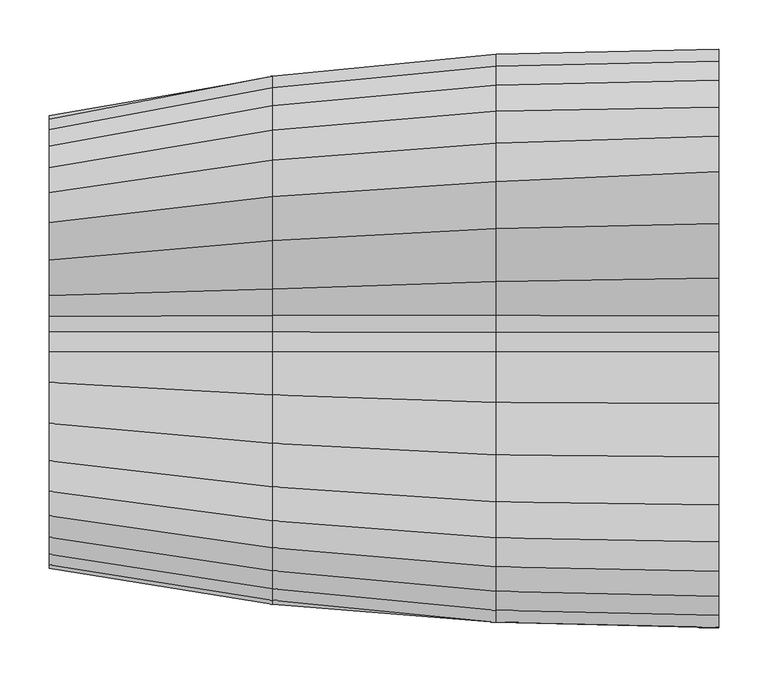
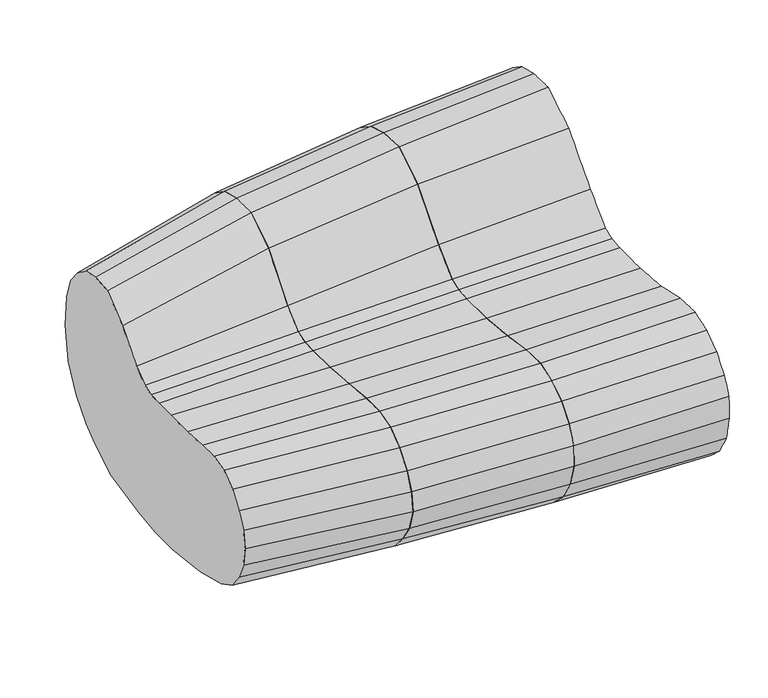
"""IFC4 building model written with IfcOpenShell, lengths in millimetres: furniture geometry."""

from ifc_helpers import new_model, si_unit, frame, origin, place, context, project, spatial, source, transform, mapped, element, save
from ifc_brep_helpers import plane_surface, spline_surface, advanced_brep


def furniture_82cb1723(model_context):
    return source(origin(), model_context, "Body", "AdvancedBrep", [
        advanced_brep(
        [(0.0, -291.4984682, 377.8928495), (0.0, -291.8548599, 343.4294735), (0.0, -285.0614337, 307.6544406), (0.0, -266.6243324, 276.4302019), (0.0, -242.2722578, 254.0834736), (0.0, -208.4022685, 234.7810907), (0.0, -148.8340749, 217.3380421), (0.0, -62.7151808, 207.1237309), (0.0, 0.0, 204.8741408), (0.0, 64.8151526, 210.3925721), (0.0, 149.3216178, 231.4803111), (0.0, 190.1743658, 247.5640859), (0.0, 211.1913424, 263.1198225), (0.0, 244.4104085, 293.0347843), (0.0, 271.0242455, 332.7671156), (0.0, 298.3267941, 407.1493486), (0.0, 299.0645943, 487.9511753), (0.0, 286.7647273, 531.5563989), (0.0, 267.0316476, 554.1242074), (0.0, 239.7702484, 572.5989882), (0.0, 209.9522465, 579.6965927), (0.0, 173.8686932, 580.455231), (0.0, 120.752495, 548.3935979), (0.0, 65.1051149, 486.6230587), (0.0, 26.2746271, 448.3519936), (0.0, 9.5128635, 442.3705636), (0.0, -10.5673544, 440.2413694), (0.0, -62.7866427, 440.1363976), (0.0, -117.6349799, 444.6696239), (0.0, -166.5576387, 455.447527), (0.0, -204.1727119, 456.7290985), (0.0, -234.0598775, 446.2991392), (0.0, -259.6553174, 427.8244311), (0.0, -279.3883244, 403.1470493), (-227.0762013, -286.1406738, 376.5365733), (-227.0762013, -274.0839606, 403.4291905), (-227.0762013, -254.7407736, 426.6060099), (-227.0762013, -229.6511895, 444.1068312), (-227.0762013, -200.3546492, 453.6485453), (-227.0762013, -163.4857877, 452.8625104), (-227.0762013, -115.5397408, 445.1344211), (-227.0762013, -61.7906324, 439.9487274), (-227.0762013, -10.5673544, 440.1194655), (-227.0762013, 9.6670823, 441.7722353), (-227.0762013, 26.814547, 447.4483787), (-227.0762013, 61.7906324, 480.3082189), (-227.0762013, 115.5397408, 543.0094062), (-227.0762013, 163.4857877, 573.2295819), (-227.0762013, 202.7432025, 570.7752623), (-227.0762013, 235.4367012, 561.2269715), (-227.0762013, 262.1171765, 543.7261139), (-227.0762013, 281.4603454, 522.5189418), (-227.0762013, 293.5171494, 484.0034875), (-227.0762013, 292.6945071, 415.6151473), (-227.0762013, 265.855375, 344.1388779), (-227.0762013, 239.1077162, 301.6881623), (-227.0762013, 206.2769621, 269.7019788), (-227.0762013, 185.7656778, 253.1828018), (-227.0762013, 146.2499121, 233.9398267), (-227.0762013, 63.8228076, 214.7066075), (-227.0762013, 0.0, 209.1015717), (-227.0762013, -61.7226815, 211.467343), (-227.0762013, -143.3406783, 221.1172627), (-227.0762013, -202.4368986, 238.168602), (-227.0762013, -234.9239599, 256.6180573), (-227.0762013, -258.8860693, 279.3470841), (-227.0762013, -277.0800714, 309.9383855), (-227.0762013, -286.4123142, 344.1275414)],
        [
            (0, 1),
            (1, 2),
            (2, 3),
            (3, 4),
            (4, 5),
            (5, 6),
            (6, 7),
            (7, 8),
            (8, 9),
            (9, 10),
            (10, 11),
            (11, 12),
            (12, 13),
            (13, 14),
            (14, 15),
            (15, 16),
            (16, 17),
            (17, 18),
            (18, 19),
            (19, 20),
            (20, 21),
            (21, 22),
            (22, 23),
            (23, 24),
            (24, 25),
            (25, 26),
            (26, 27),
            (27, 28),
            (28, 29),
            (29, 30),
            (30, 31),
            (31, 32),
            (32, 33),
            (33, 0),
            (34, 35),
            (35, 36),
            (36, 37),
            (37, 38),
            (38, 39),
            (39, 40),
            (40, 41),
            (41, 42),
            (42, 43),
            (43, 44),
            (44, 45),
            (45, 46),
            (46, 47),
            (47, 48),
            (48, 49),
            (49, 50),
            (50, 51),
            (51, 52),
            (52, 53),
            (53, 54),
            (54, 55),
            (55, 56),
            (56, 57),
            (57, 58),
            (58, 59),
            (59, 60),
            (60, 61),
            (61, 62),
            (62, 63),
            (63, 64),
            (64, 65),
            (65, 66),
            (66, 67),
            (67, 34),
            (34, 0),
            (33, 35),
            (32, 36),
            (31, 37),
            (30, 38),
            (29, 39),
            (28, 40),
            (27, 41),
            (26, 42),
            (25, 43),
            (24, 44),
            (23, 45),
            (22, 46),
            (21, 47),
            (20, 48),
            (19, 49),
            (18, 50),
            (17, 51),
            (16, 52),
            (15, 53),
            (14, 54),
            (13, 55),
            (12, 56),
            (11, 57),
            (10, 58),
            (9, 59),
            (8, 60),
            (7, 61),
            (6, 62),
            (5, 63),
            (4, 64),
            (3, 65),
            (2, 66),
            (1, 67),
        ],
        [
            plane_surface(frame((0.0, -0.138957, 386.933292), z_axis=(1.0, 0.0, 0.0), x_axis=(0.0, 0.9765819352060146, -0.21514581992052656))),
            plane_surface(frame((-227.0762013, -0.2591798, 386.860886), z_axis=(-1.0, 0.0, 0.0), x_axis=(0.0, 0.9765819352060146, -0.21514581992052656))),
            spline_surface(1, 1, [[(-227.0762013, -274.0839606, 403.4291905), (0.0, -279.3883244, 403.1470493)], [(-227.0762013, -286.1406738, 376.5365733), (0.0, -291.4984682, 377.8928495)]], [2, 2], [2, 2], [0.0, 1.0], [0.0, 1.0]),
            spline_surface(1, 1, [[(-227.0762013, -254.7407736, 426.6060099), (0.0, -259.6553174, 427.8244311)], [(-227.0762013, -274.0839606, 403.4291905), (0.0, -279.3883244, 403.1470493)]], [2, 2], [2, 2], [0.0, 1.0], [0.0, 1.0]),
            spline_surface(1, 1, [[(-227.0762013, -229.6511895, 444.1068312), (0.0, -234.0598775, 446.2991392)], [(-227.0762013, -254.7407736, 426.6060099), (0.0, -259.6553174, 427.8244311)]], [2, 2], [2, 2], [0.0, 1.0], [0.0, 1.0]),
            spline_surface(1, 1, [[(-227.0762013, -200.3546492, 453.6485453), (0.0, -204.1727119, 456.7290985)], [(-227.0762013, -229.6511895, 444.1068312), (0.0, -234.0598775, 446.2991392)]], [2, 2], [2, 2], [0.0, 1.0], [0.0, 1.0]),
            spline_surface(1, 1, [[(-227.0762013, -163.4857877, 452.8625104), (0.0, -166.5576387, 455.447527)], [(-227.0762013, -200.3546492, 453.6485453), (0.0, -204.1727119, 456.7290985)]], [2, 2], [2, 2], [0.0, 1.0], [0.0, 1.0]),
            spline_surface(1, 1, [[(-227.0762013, -115.5397408, 445.1344211), (0.0, -117.6349799, 444.6696239)], [(-227.0762013, -163.4857877, 452.8625104), (0.0, -166.5576387, 455.447527)]], [2, 2], [2, 2], [0.0, 1.0], [0.0, 1.0]),
            spline_surface(1, 1, [[(-227.0762013, -61.7906324, 439.9487274), (0.0, -62.7866427, 440.1363976)], [(-227.0762013, -115.5397408, 445.1344211), (0.0, -117.6349799, 444.6696239)]], [2, 2], [2, 2], [0.0, 1.0], [0.0, 1.0]),
            spline_surface(1, 1, [[(-227.0762013, -10.5673544, 440.1194655), (0.0, -10.5673544, 440.2413694)], [(-227.0762013, -61.7906324, 439.9487274), (0.0, -62.7866427, 440.1363976)]], [2, 2], [2, 2], [0.0, 1.0], [0.0, 1.0]),
            spline_surface(1, 1, [[(-227.0762013, 9.6670823, 441.7722353), (0.0, 9.5128635, 442.3705636)], [(-227.0762013, -10.5673544, 440.1194655), (0.0, -10.5673544, 440.2413694)]], [2, 2], [2, 2], [0.0, 1.0], [0.0, 1.0]),
            spline_surface(1, 1, [[(-227.0762013, 26.814547, 447.4483787), (0.0, 26.2746271, 448.3519936)], [(-227.0762013, 9.6670823, 441.7722353), (0.0, 9.5128635, 442.3705636)]], [2, 2], [2, 2], [0.0, 1.0], [0.0, 1.0]),
            spline_surface(1, 1, [[(-227.0762013, 61.7906324, 480.3082189), (0.0, 65.1051149, 486.6230587)], [(-227.0762013, 26.814547, 447.4483787), (0.0, 26.2746271, 448.3519936)]], [2, 2], [2, 2], [0.0, 1.0], [0.0, 1.0]),
            spline_surface(1, 1, [[(-227.0762013, 115.5397408, 543.0094062), (0.0, 120.752495, 548.3935979)], [(-227.0762013, 61.7906324, 480.3082189), (0.0, 65.1051149, 486.6230587)]], [2, 2], [2, 2], [0.0, 1.0], [0.0, 1.0]),
            spline_surface(1, 1, [[(-227.0762013, 163.4857877, 573.2295819), (0.0, 173.8686932, 580.455231)], [(-227.0762013, 115.5397408, 543.0094062), (0.0, 120.752495, 548.3935979)]], [2, 2], [2, 2], [0.0, 1.0], [0.0, 1.0]),
            spline_surface(1, 1, [[(-227.0762013, 202.7432025, 570.7752623), (0.0, 209.9522465, 579.6965927)], [(-227.0762013, 163.4857877, 573.2295819), (0.0, 173.8686932, 580.455231)]], [2, 2], [2, 2], [0.0, 1.0], [0.0, 1.0]),
            spline_surface(1, 1, [[(-227.0762013, 235.4367012, 561.2269715), (0.0, 239.7702484, 572.5989882)], [(-227.0762013, 202.7432025, 570.7752623), (0.0, 209.9522465, 579.6965927)]], [2, 2], [2, 2], [0.0, 1.0], [0.0, 1.0]),
            spline_surface(1, 1, [[(-227.0762013, 262.1171765, 543.7261139), (0.0, 267.0316476, 554.1242074)], [(-227.0762013, 235.4367012, 561.2269715), (0.0, 239.7702484, 572.5989882)]], [2, 2], [2, 2], [0.0, 1.0], [0.0, 1.0]),
            spline_surface(1, 1, [[(-227.0762013, 281.4603454, 522.5189418), (0.0, 286.7647273, 531.5563989)], [(-227.0762013, 262.1171765, 543.7261139), (0.0, 267.0316476, 554.1242074)]], [2, 2], [2, 2], [0.0, 1.0], [0.0, 1.0]),
            spline_surface(1, 1, [[(-227.0762013, 293.5171494, 484.0034875), (0.0, 299.0645943, 487.9511753)], [(-227.0762013, 281.4603454, 522.5189418), (0.0, 286.7647273, 531.5563989)]], [2, 2], [2, 2], [0.0, 1.0], [0.0, 1.0]),
            spline_surface(1, 1, [[(-227.0762013, 292.6945071, 415.6151473), (0.0, 298.3267941, 407.1493486)], [(-227.0762013, 293.5171494, 484.0034875), (0.0, 299.0645943, 487.9511753)]], [2, 2], [2, 2], [0.0, 1.0], [0.0, 1.0]),
            spline_surface(1, 1, [[(-227.0762013, 265.855375, 344.1388779), (0.0, 271.0242455, 332.7671156)], [(-227.0762013, 292.6945071, 415.6151473), (0.0, 298.3267941, 407.1493486)]], [2, 2], [2, 2], [0.0, 1.0], [0.0, 1.0]),
            spline_surface(1, 1, [[(-227.0762013, 239.1077162, 301.6881623), (0.0, 244.4104085, 293.0347843)], [(-227.0762013, 265.855375, 344.1388779), (0.0, 271.0242455, 332.7671156)]], [2, 2], [2, 2], [0.0, 1.0], [0.0, 1.0]),
            spline_surface(1, 1, [[(-227.0762013, 206.2769621, 269.7019788), (0.0, 211.1913424, 263.1198225)], [(-227.0762013, 239.1077162, 301.6881623), (0.0, 244.4104085, 293.0347843)]], [2, 2], [2, 2], [0.0, 1.0], [0.0, 1.0]),
            spline_surface(1, 1, [[(-227.0762013, 185.7656778, 253.1828018), (0.0, 190.1743658, 247.5640859)], [(-227.0762013, 206.2769621, 269.7019788), (0.0, 211.1913424, 263.1198225)]], [2, 2], [2, 2], [0.0, 1.0], [0.0, 1.0]),
            spline_surface(1, 1, [[(-227.0762013, 146.2499121, 233.9398267), (0.0, 149.3216178, 231.4803111)], [(-227.0762013, 185.7656778, 253.1828018), (0.0, 190.1743658, 247.5640859)]], [2, 2], [2, 2], [0.0, 1.0], [0.0, 1.0]),
            spline_surface(1, 1, [[(-227.0762013, 63.8228076, 214.7066075), (0.0, 64.8151526, 210.3925721)], [(-227.0762013, 146.2499121, 233.9398267), (0.0, 149.3216178, 231.4803111)]], [2, 2], [2, 2], [0.0, 1.0], [0.0, 1.0]),
            spline_surface(1, 1, [[(-227.0762013, 0.0, 209.1015717), (0.0, 0.0, 204.8741408)], [(-227.0762013, 63.8228076, 214.7066075), (0.0, 64.8151526, 210.3925721)]], [2, 2], [2, 2], [0.0, 1.0], [0.0, 1.0]),
            spline_surface(1, 1, [[(-227.0762013, -61.7226815, 211.467343), (0.0, -62.7151808, 207.1237309)], [(-227.0762013, 0.0, 209.1015717), (0.0, 0.0, 204.8741408)]], [2, 2], [2, 2], [0.0, 1.0], [0.0, 1.0]),
            spline_surface(1, 1, [[(-227.0762013, -143.3406783, 221.1172627), (0.0, -148.8340749, 217.3380421)], [(-227.0762013, -61.7226815, 211.467343), (0.0, -62.7151808, 207.1237309)]], [2, 2], [2, 2], [0.0, 1.0], [0.0, 1.0]),
            spline_surface(1, 1, [[(-227.0762013, -202.4368986, 238.168602), (0.0, -208.4022685, 234.7810907)], [(-227.0762013, -143.3406783, 221.1172627), (0.0, -148.8340749, 217.3380421)]], [2, 2], [2, 2], [0.0, 1.0], [0.0, 1.0]),
            spline_surface(1, 1, [[(-227.0762013, -234.9239599, 256.6180573), (0.0, -242.2722578, 254.0834736)], [(-227.0762013, -202.4368986, 238.168602), (0.0, -208.4022685, 234.7810907)]], [2, 2], [2, 2], [0.0, 1.0], [0.0, 1.0]),
            spline_surface(1, 1, [[(-227.0762013, -258.8860693, 279.3470841), (0.0, -266.6243324, 276.4302019)], [(-227.0762013, -234.9239599, 256.6180573), (0.0, -242.2722578, 254.0834736)]], [2, 2], [2, 2], [0.0, 1.0], [0.0, 1.0]),
            spline_surface(1, 1, [[(-227.0762013, -277.0800714, 309.9383855), (0.0, -285.0614337, 307.6544406)], [(-227.0762013, -258.8860693, 279.3470841), (0.0, -266.6243324, 276.4302019)]], [2, 2], [2, 2], [0.0, 1.0], [0.0, 1.0]),
            spline_surface(1, 1, [[(-227.0762013, -286.4123142, 344.1275414), (0.0, -291.8548599, 343.4294735)], [(-227.0762013, -277.0800714, 309.9383855), (0.0, -285.0614337, 307.6544406)]], [2, 2], [2, 2], [0.0, 1.0], [0.0, 1.0]),
            spline_surface(1, 1, [[(-227.0762013, -286.1406738, 376.5365733), (0.0, -291.4984682, 377.8928495)], [(-227.0762013, -286.4123142, 344.1275414), (0.0, -291.8548599, 343.4294735)]], [2, 2], [2, 2], [0.0, 1.0], [0.0, 1.0]),
        ],
        [
            (0, [[1, 2, 3, 4, 5, 6, 7, 8, 9, 10, 11, 12, 13, 14, 15, 16, 17, 18, 19, 20, 21, 22, 23, 24, 25, 26, 27, 28, 29, 30, 31, 32, 33, 34]]),
            (1, [[35, 36, 37, 38, 39, 40, 41, 42, 43, 44, 45, 46, 47, 48, 49, 50, 51, 52, 53, 54, 55, 56, 57, 58, 59, 60, 61, 62, 63, 64, 65, 66, 67, 68]]),
            (2, [[-35, 69, -34, 70]]),
            (3, [[-36, -70, -33, 71]]),
            (4, [[-37, -71, -32, 72]]),
            (5, [[-38, -72, -31, 73]]),
            (6, [[-39, -73, -30, 74]]),
            (7, [[-40, -74, -29, 75]]),
            (8, [[-41, -75, -28, 76]]),
            (9, [[-42, -76, -27, 77]]),
            (10, [[-43, -77, -26, 78]]),
            (11, [[-44, -78, -25, 79]]),
            (12, [[-45, -79, -24, 80]]),
            (13, [[-46, -80, -23, 81]]),
            (14, [[-47, -81, -22, 82]]),
            (15, [[-48, -82, -21, 83]]),
            (16, [[-49, -83, -20, 84]]),
            (17, [[-50, -84, -19, 85]]),
            (18, [[-51, -85, -18, 86]]),
            (19, [[-52, -86, -17, 87]]),
            (20, [[-53, -87, -16, 88]]),
            (21, [[-54, -88, -15, 89]]),
            (22, [[-55, -89, -14, 90]]),
            (23, [[-56, -90, -13, 91]]),
            (24, [[-57, -91, -12, 92]]),
            (25, [[-58, -92, -11, 93]]),
            (26, [[-59, -93, -10, 94]]),
            (27, [[-60, -94, -9, 95]]),
            (28, [[-61, -95, -8, 96]]),
            (29, [[-62, -96, -7, 97]]),
            (30, [[-63, -97, -6, 98]]),
            (31, [[-64, -98, -5, 99]]),
            (32, [[-65, -99, -4, 100]]),
            (33, [[-66, -100, -3, 101]]),
            (34, [[-67, -101, -2, 102]]),
            (35, [[-68, -102, -1, -69]]),
        ],
    ),
        advanced_brep(
        [(-227.0762013, -274.0839606, 403.4291905), (-227.0762013, -286.1406738, 376.5365733), (-227.0762013, -286.4123142, 344.1275414), (-227.0762013, -277.0800714, 309.9383855), (-227.0762013, -258.8860693, 279.3470841), (-227.0762013, -234.9239599, 256.6180573), (-227.0762013, -202.4368986, 238.168602), (-227.0762013, -143.3406783, 221.1172627), (-227.0762013, -61.7226815, 211.467343), (-227.0762013, 0.0, 209.1015717), (-227.0762013, 63.8228076, 214.7066075), (-227.0762013, 146.2499121, 233.9398267), (-227.0762013, 185.7656778, 253.1828018), (-227.0762013, 206.2769621, 269.7019788), (-227.0762013, 239.1077162, 301.6881623), (-227.0762013, 265.855375, 344.1388779), (-227.0762013, 292.6945071, 415.6151473), (-227.0762013, 293.5171494, 484.0034875), (-227.0762013, 281.4603454, 522.5189418), (-227.0762013, 262.1171765, 543.7261139), (-227.0762013, 235.4367012, 561.2269715), (-227.0762013, 202.7432025, 570.7752623), (-227.0762013, 163.4857877, 573.2295819), (-227.0762013, 115.5397408, 543.0094062), (-227.0762013, 61.7906324, 480.3082189), (-227.0762013, 26.814547, 447.4483787), (-227.0762013, 9.6670823, 441.7722353), (-227.0762013, -10.5673544, 440.1194655), (-227.0762013, -61.7906324, 439.9487274), (-227.0762013, -115.5397408, 445.1344211), (-227.0762013, -163.4857877, 452.8625104), (-227.0762013, -200.3546492, 453.6485453), (-227.0762013, -229.6511895, 444.1068312), (-227.0762013, -254.7407736, 426.6060099), (-455.3641564, -252.3818514, 396.6326941), (-455.3641564, -234.0168205, 421.0006107), (-455.3641564, -210.2477045, 439.1128046), (-455.3641564, -182.6038977, 447.1245249), (-455.3641564, -148.0542805, 446.6149993), (-455.3641564, -103.6001444, 442.8838317), (-455.3641564, -54.1793919, 438.9676826), (-455.3641564, -10.5668968, 438.3366165), (-455.3641564, 9.8287832, 439.2321651), (-455.3641564, 27.129703, 445.344619), (-455.3641564, 54.1793919, 469.6752923), (-455.3641564, 103.6002897, 529.6568419), (-455.3641564, 148.1147419, 558.8794767), (-455.3641564, 185.3505142, 558.8997153), (-455.3641564, 216.1521588, 550.762276), (-455.3641564, 241.3933688, 533.3076001), (-455.3641564, 259.7582362, 511.8388161), (-455.3641564, 271.2010516, 475.7056292), (-455.3641564, 270.1598542, 414.9827368), (-455.3641564, 251.2636784, 352.0582346), (-455.3641564, 230.2584562, 309.1056965), (-455.3641564, 198.0847296, 277.7418587), (-455.3641564, 178.9009624, 260.8751375), (-455.3641564, 136.0662768, 237.9039197), (-455.3641564, 56.3137229, 219.8462102), (-455.3641564, 0.0, 216.4563553), (-455.3641564, -54.2137512, 216.7521222), (-455.3641564, -130.3642992, 226.850234), (-455.3641564, -188.6106349, 240.838915), (-455.3641564, -221.5852392, 259.6216893), (-455.3641564, -241.1069219, 282.7724201), (-455.3641564, -258.6924582, 310.2295014), (-455.3641564, -267.8127409, 341.7347005), (-455.3641564, -263.8245759, 370.2397556)],
        [
            (0, 1),
            (1, 2),
            (2, 3),
            (3, 4),
            (4, 5),
            (5, 6),
            (6, 7),
            (7, 8),
            (8, 9),
            (9, 10),
            (10, 11),
            (11, 12),
            (12, 13),
            (13, 14),
            (14, 15),
            (15, 16),
            (16, 17),
            (17, 18),
            (18, 19),
            (19, 20),
            (20, 21),
            (21, 22),
            (22, 23),
            (23, 24),
            (24, 25),
            (25, 26),
            (26, 27),
            (27, 28),
            (28, 29),
            (29, 30),
            (30, 31),
            (31, 32),
            (32, 33),
            (33, 0),
            (34, 35),
            (35, 36),
            (36, 37),
            (37, 38),
            (38, 39),
            (39, 40),
            (40, 41),
            (41, 42),
            (42, 43),
            (43, 44),
            (44, 45),
            (45, 46),
            (46, 47),
            (47, 48),
            (48, 49),
            (49, 50),
            (50, 51),
            (51, 52),
            (52, 53),
            (53, 54),
            (54, 55),
            (55, 56),
            (56, 57),
            (57, 58),
            (58, 59),
            (59, 60),
            (60, 61),
            (61, 62),
            (62, 63),
            (63, 64),
            (64, 65),
            (65, 66),
            (66, 67),
            (67, 34),
            (34, 0),
            (33, 35),
            (32, 36),
            (31, 37),
            (30, 38),
            (29, 39),
            (28, 40),
            (27, 41),
            (26, 42),
            (25, 43),
            (24, 44),
            (23, 45),
            (22, 46),
            (21, 47),
            (20, 48),
            (19, 49),
            (18, 50),
            (17, 51),
            (16, 52),
            (15, 53),
            (14, 54),
            (13, 55),
            (12, 56),
            (11, 57),
            (10, 58),
            (9, 59),
            (8, 60),
            (7, 61),
            (6, 62),
            (5, 63),
            (4, 64),
            (3, 65),
            (2, 66),
            (1, 67),
        ],
        [
            plane_surface(frame((-227.0762013, -0.2591798, 386.860886), z_axis=(1.0, 0.0, 0.0), x_axis=(0.0, 0.9997728115981166, -0.02131490532929867))),
            plane_surface(frame((-455.3641564, 0.4674797, 384.7642848), z_axis=(-1.0, 0.0, 0.0), x_axis=(0.0, 0.9997728115981166, -0.02131490532929867))),
            spline_surface(1, 1, [[(-455.3641564, -234.0168205, 421.0006107), (-227.0762013, -254.7407736, 426.6060099)], [(-455.3641564, -252.3818514, 396.6326941), (-227.0762013, -274.0839606, 403.4291905)]], [2, 2], [2, 2], [0.0, 1.0], [0.0, 1.0]),
            spline_surface(1, 1, [[(-455.3641564, -210.2477045, 439.1128046), (-227.0762013, -229.6511895, 444.1068312)], [(-455.3641564, -234.0168205, 421.0006107), (-227.0762013, -254.7407736, 426.6060099)]], [2, 2], [2, 2], [0.0, 1.0], [0.0, 1.0]),
            spline_surface(1, 1, [[(-455.3641564, -182.6038977, 447.1245249), (-227.0762013, -200.3546492, 453.6485453)], [(-455.3641564, -210.2477045, 439.1128046), (-227.0762013, -229.6511895, 444.1068312)]], [2, 2], [2, 2], [0.0, 1.0], [0.0, 1.0]),
            spline_surface(1, 1, [[(-455.3641564, -148.0542805, 446.6149993), (-227.0762013, -163.4857877, 452.8625104)], [(-455.3641564, -182.6038977, 447.1245249), (-227.0762013, -200.3546492, 453.6485453)]], [2, 2], [2, 2], [0.0, 1.0], [0.0, 1.0]),
            spline_surface(1, 1, [[(-455.3641564, -103.6001444, 442.8838317), (-227.0762013, -115.5397408, 445.1344211)], [(-455.3641564, -148.0542805, 446.6149993), (-227.0762013, -163.4857877, 452.8625104)]], [2, 2], [2, 2], [0.0, 1.0], [0.0, 1.0]),
            spline_surface(1, 1, [[(-455.3641564, -54.1793919, 438.9676826), (-227.0762013, -61.7906324, 439.9487274)], [(-455.3641564, -103.6001444, 442.8838317), (-227.0762013, -115.5397408, 445.1344211)]], [2, 2], [2, 2], [0.0, 1.0], [0.0, 1.0]),
            spline_surface(1, 1, [[(-455.3641564, -10.5668968, 438.3366165), (-227.0762013, -10.5673544, 440.1194655)], [(-455.3641564, -54.1793919, 438.9676826), (-227.0762013, -61.7906324, 439.9487274)]], [2, 2], [2, 2], [0.0, 1.0], [0.0, 1.0]),
            spline_surface(1, 1, [[(-455.3641564, 9.8287832, 439.2321651), (-227.0762013, 9.6670823, 441.7722353)], [(-455.3641564, -10.5668968, 438.3366165), (-227.0762013, -10.5673544, 440.1194655)]], [2, 2], [2, 2], [0.0, 1.0], [0.0, 1.0]),
            spline_surface(1, 1, [[(-455.3641564, 27.129703, 445.344619), (-227.0762013, 26.814547, 447.4483787)], [(-455.3641564, 9.8287832, 439.2321651), (-227.0762013, 9.6670823, 441.7722353)]], [2, 2], [2, 2], [0.0, 1.0], [0.0, 1.0]),
            spline_surface(1, 1, [[(-455.3641564, 54.1793919, 469.6752923), (-227.0762013, 61.7906324, 480.3082189)], [(-455.3641564, 27.129703, 445.344619), (-227.0762013, 26.814547, 447.4483787)]], [2, 2], [2, 2], [0.0, 1.0], [0.0, 1.0]),
            spline_surface(1, 1, [[(-455.3641564, 103.6002897, 529.6568419), (-227.0762013, 115.5397408, 543.0094062)], [(-455.3641564, 54.1793919, 469.6752923), (-227.0762013, 61.7906324, 480.3082189)]], [2, 2], [2, 2], [0.0, 1.0], [0.0, 1.0]),
            spline_surface(1, 1, [[(-455.3641564, 148.1147419, 558.8794767), (-227.0762013, 163.4857877, 573.2295819)], [(-455.3641564, 103.6002897, 529.6568419), (-227.0762013, 115.5397408, 543.0094062)]], [2, 2], [2, 2], [0.0, 1.0], [0.0, 1.0]),
            spline_surface(1, 1, [[(-455.3641564, 185.3505142, 558.8997153), (-227.0762013, 202.7432025, 570.7752623)], [(-455.3641564, 148.1147419, 558.8794767), (-227.0762013, 163.4857877, 573.2295819)]], [2, 2], [2, 2], [0.0, 1.0], [0.0, 1.0]),
            spline_surface(1, 1, [[(-455.3641564, 216.1521588, 550.762276), (-227.0762013, 235.4367012, 561.2269715)], [(-455.3641564, 185.3505142, 558.8997153), (-227.0762013, 202.7432025, 570.7752623)]], [2, 2], [2, 2], [0.0, 1.0], [0.0, 1.0]),
            spline_surface(1, 1, [[(-455.3641564, 241.3933688, 533.3076001), (-227.0762013, 262.1171765, 543.7261139)], [(-455.3641564, 216.1521588, 550.762276), (-227.0762013, 235.4367012, 561.2269715)]], [2, 2], [2, 2], [0.0, 1.0], [0.0, 1.0]),
            spline_surface(1, 1, [[(-455.3641564, 259.7582362, 511.8388161), (-227.0762013, 281.4603454, 522.5189418)], [(-455.3641564, 241.3933688, 533.3076001), (-227.0762013, 262.1171765, 543.7261139)]], [2, 2], [2, 2], [0.0, 1.0], [0.0, 1.0]),
            spline_surface(1, 1, [[(-455.3641564, 271.2010516, 475.7056292), (-227.0762013, 293.5171494, 484.0034875)], [(-455.3641564, 259.7582362, 511.8388161), (-227.0762013, 281.4603454, 522.5189418)]], [2, 2], [2, 2], [0.0, 1.0], [0.0, 1.0]),
            spline_surface(1, 1, [[(-455.3641564, 270.1598542, 414.9827368), (-227.0762013, 292.6945071, 415.6151473)], [(-455.3641564, 271.2010516, 475.7056292), (-227.0762013, 293.5171494, 484.0034875)]], [2, 2], [2, 2], [0.0, 1.0], [0.0, 1.0]),
            spline_surface(1, 1, [[(-455.3641564, 251.2636784, 352.0582346), (-227.0762013, 265.855375, 344.1388779)], [(-455.3641564, 270.1598542, 414.9827368), (-227.0762013, 292.6945071, 415.6151473)]], [2, 2], [2, 2], [0.0, 1.0], [0.0, 1.0]),
            spline_surface(1, 1, [[(-455.3641564, 230.2584562, 309.1056965), (-227.0762013, 239.1077162, 301.6881623)], [(-455.3641564, 251.2636784, 352.0582346), (-227.0762013, 265.855375, 344.1388779)]], [2, 2], [2, 2], [0.0, 1.0], [0.0, 1.0]),
            spline_surface(1, 1, [[(-455.3641564, 198.0847296, 277.7418587), (-227.0762013, 206.2769621, 269.7019788)], [(-455.3641564, 230.2584562, 309.1056965), (-227.0762013, 239.1077162, 301.6881623)]], [2, 2], [2, 2], [0.0, 1.0], [0.0, 1.0]),
            spline_surface(1, 1, [[(-455.3641564, 178.9009624, 260.8751375), (-227.0762013, 185.7656778, 253.1828018)], [(-455.3641564, 198.0847296, 277.7418587), (-227.0762013, 206.2769621, 269.7019788)]], [2, 2], [2, 2], [0.0, 1.0], [0.0, 1.0]),
            spline_surface(1, 1, [[(-455.3641564, 136.0662768, 237.9039197), (-227.0762013, 146.2499121, 233.9398267)], [(-455.3641564, 178.9009624, 260.8751375), (-227.0762013, 185.7656778, 253.1828018)]], [2, 2], [2, 2], [0.0, 1.0], [0.0, 1.0]),
            spline_surface(1, 1, [[(-455.3641564, 56.3137229, 219.8462102), (-227.0762013, 63.8228076, 214.7066075)], [(-455.3641564, 136.0662768, 237.9039197), (-227.0762013, 146.2499121, 233.9398267)]], [2, 2], [2, 2], [0.0, 1.0], [0.0, 1.0]),
            spline_surface(1, 1, [[(-455.3641564, 0.0, 216.4563553), (-227.0762013, 0.0, 209.1015717)], [(-455.3641564, 56.3137229, 219.8462102), (-227.0762013, 63.8228076, 214.7066075)]], [2, 2], [2, 2], [0.0, 1.0], [0.0, 1.0]),
            spline_surface(1, 1, [[(-455.3641564, -54.2137512, 216.7521222), (-227.0762013, -61.7226815, 211.467343)], [(-455.3641564, 0.0, 216.4563553), (-227.0762013, 0.0, 209.1015717)]], [2, 2], [2, 2], [0.0, 1.0], [0.0, 1.0]),
            spline_surface(1, 1, [[(-455.3641564, -130.3642992, 226.850234), (-227.0762013, -143.3406783, 221.1172627)], [(-455.3641564, -54.2137512, 216.7521222), (-227.0762013, -61.7226815, 211.467343)]], [2, 2], [2, 2], [0.0, 1.0], [0.0, 1.0]),
            spline_surface(1, 1, [[(-455.3641564, -188.6106349, 240.838915), (-227.0762013, -202.4368986, 238.168602)], [(-455.3641564, -130.3642992, 226.850234), (-227.0762013, -143.3406783, 221.1172627)]], [2, 2], [2, 2], [0.0, 1.0], [0.0, 1.0]),
            spline_surface(1, 1, [[(-455.3641564, -221.5852392, 259.6216893), (-227.0762013, -234.9239599, 256.6180573)], [(-455.3641564, -188.6106349, 240.838915), (-227.0762013, -202.4368986, 238.168602)]], [2, 2], [2, 2], [0.0, 1.0], [0.0, 1.0]),
            spline_surface(1, 1, [[(-455.3641564, -241.1069219, 282.7724201), (-227.0762013, -258.8860693, 279.3470841)], [(-455.3641564, -221.5852392, 259.6216893), (-227.0762013, -234.9239599, 256.6180573)]], [2, 2], [2, 2], [0.0, 1.0], [0.0, 1.0]),
            spline_surface(1, 1, [[(-455.3641564, -258.6924582, 310.2295014), (-227.0762013, -277.0800714, 309.9383855)], [(-455.3641564, -241.1069219, 282.7724201), (-227.0762013, -258.8860693, 279.3470841)]], [2, 2], [2, 2], [0.0, 1.0], [0.0, 1.0]),
            spline_surface(1, 1, [[(-455.3641564, -267.8127409, 341.7347005), (-227.0762013, -286.4123142, 344.1275414)], [(-455.3641564, -258.6924582, 310.2295014), (-227.0762013, -277.0800714, 309.9383855)]], [2, 2], [2, 2], [0.0, 1.0], [0.0, 1.0]),
            spline_surface(1, 1, [[(-455.3641564, -263.8245759, 370.2397556), (-227.0762013, -286.1406738, 376.5365733)], [(-455.3641564, -267.8127409, 341.7347005), (-227.0762013, -286.4123142, 344.1275414)]], [2, 2], [2, 2], [0.0, 1.0], [0.0, 1.0]),
            spline_surface(1, 1, [[(-455.3641564, -252.3818514, 396.6326941), (-227.0762013, -274.0839606, 403.4291905)], [(-455.3641564, -263.8245759, 370.2397556), (-227.0762013, -286.1406738, 376.5365733)]], [2, 2], [2, 2], [0.0, 1.0], [0.0, 1.0]),
        ],
        [
            (0, [[1, 2, 3, 4, 5, 6, 7, 8, 9, 10, 11, 12, 13, 14, 15, 16, 17, 18, 19, 20, 21, 22, 23, 24, 25, 26, 27, 28, 29, 30, 31, 32, 33, 34]]),
            (1, [[35, 36, 37, 38, 39, 40, 41, 42, 43, 44, 45, 46, 47, 48, 49, 50, 51, 52, 53, 54, 55, 56, 57, 58, 59, 60, 61, 62, 63, 64, 65, 66, 67, 68]]),
            (2, [[-35, 69, -34, 70]]),
            (3, [[-36, -70, -33, 71]]),
            (4, [[-37, -71, -32, 72]]),
            (5, [[-38, -72, -31, 73]]),
            (6, [[-39, -73, -30, 74]]),
            (7, [[-40, -74, -29, 75]]),
            (8, [[-41, -75, -28, 76]]),
            (9, [[-42, -76, -27, 77]]),
            (10, [[-43, -77, -26, 78]]),
            (11, [[-44, -78, -25, 79]]),
            (12, [[-45, -79, -24, 80]]),
            (13, [[-46, -80, -23, 81]]),
            (14, [[-47, -81, -22, 82]]),
            (15, [[-48, -82, -21, 83]]),
            (16, [[-49, -83, -20, 84]]),
            (17, [[-50, -84, -19, 85]]),
            (18, [[-51, -85, -18, 86]]),
            (19, [[-52, -86, -17, 87]]),
            (20, [[-53, -87, -16, 88]]),
            (21, [[-54, -88, -15, 89]]),
            (22, [[-55, -89, -14, 90]]),
            (23, [[-56, -90, -13, 91]]),
            (24, [[-57, -91, -12, 92]]),
            (25, [[-58, -92, -11, 93]]),
            (26, [[-59, -93, -10, 94]]),
            (27, [[-60, -94, -9, 95]]),
            (28, [[-61, -95, -8, 96]]),
            (29, [[-62, -96, -7, 97]]),
            (30, [[-63, -97, -6, 98]]),
            (31, [[-64, -98, -5, 99]]),
            (32, [[-65, -99, -4, 100]]),
            (33, [[-66, -100, -3, 101]]),
            (34, [[-67, -101, -2, 102]]),
            (35, [[-68, -102, -1, -69]]),
        ],
    ),
        advanced_brep(
        [(-455.3641564, -263.8245759, 370.2397556), (-455.3641564, -267.8127409, 341.7347005), (-455.3641564, -258.6924582, 310.2295014), (-455.3641564, -241.1069219, 282.7724201), (-455.3641564, -221.5852392, 259.6216893), (-455.3641564, -188.6106349, 240.838915), (-455.3641564, -130.3642992, 226.850234), (-455.3641564, -54.2137512, 216.7521222), (-455.3641564, 0.0, 216.4563553), (-455.3641564, 56.3137229, 219.8462102), (-455.3641564, 136.0662768, 237.9039197), (-455.3641564, 178.9009624, 260.8751375), (-455.3641564, 198.0847296, 277.7418587), (-455.3641564, 230.2584562, 309.1056965), (-455.3641564, 251.2636784, 352.0582346), (-455.3641564, 270.1598542, 414.9827368), (-455.3641564, 271.2010516, 475.7056292), (-455.3641564, 259.7582362, 511.8388161), (-455.3641564, 241.3933688, 533.3076001), (-455.3641564, 216.1521588, 550.762276), (-455.3641564, 185.3505142, 558.8997153), (-455.3641564, 148.1147419, 558.8794767), (-455.3641564, 103.6002897, 529.6568419), (-455.3641564, 54.1793919, 469.6752923), (-455.3641564, 27.129703, 445.344619), (-455.3641564, 9.8287832, 439.2321651), (-455.3641564, -10.5668968, 438.3366165), (-455.3641564, -54.1793919, 438.9676826), (-455.3641564, -103.6001444, 442.8838317), (-455.3641564, -148.0542805, 446.6149993), (-455.3641564, -182.6038977, 447.1245249), (-455.3641564, -210.2477045, 439.1128046), (-455.3641564, -234.0168205, 421.0006107), (-455.3641564, -252.3818514, 396.6326941), (-683.6527292, -227.4947259, 367.427609), (-683.6527292, -216.8380544, 392.1477571), (-683.6527292, -199.7310499, 415.2632066), (-683.6527292, -177.7669109, 432.0204323), (-683.6527292, -152.5168533, 438.6781291), (-683.6527292, -121.8045383, 437.3336254), (-683.6527292, -83.4446432, 435.3574379), (-683.6527292, -41.4584705, 435.1932764), (-683.6527292, -10.5670489, 435.600628), (-683.6527292, 9.9732296, 436.2193766), (-683.6527292, 26.0260436, 441.5130578), (-683.6527292, 47.1601437, 459.0756486), (-683.6527292, 83.4446432, 500.5646496), (-683.6527292, 121.8045383, 531.6729615), (-683.6527292, 152.5168533, 534.1466114), (-683.6527292, 177.7669109, 529.316274), (-683.6527292, 199.7310499, 512.9957585), (-683.6527292, 216.8380544, 490.8662953), (-683.6527292, 227.4947259, 458.7724694), (-683.6527292, 231.2008769, 411.6522715), (-683.6527292, 223.9890714, 359.0169668), (-683.6527292, 203.1050809, 319.6454601), (-683.6527292, 177.7269061, 289.4243578), (-683.6527292, 155.1426923, 272.4848758), (-683.6527292, 114.932029, 247.9028734), (-683.6527292, 44.1240146, 232.0407057), (-683.6527292, 0.0, 226.577558), (-683.6527292, -44.0139241, 226.7510395), (-683.6527292, -116.3975646, 235.0542754), (-683.6527292, -169.4444356, 248.7341998), (-683.6527292, -198.7377784, 264.1808042), (-683.6527292, -216.8093498, 287.2412607), (-683.6527292, -227.4689281, 313.2198712), (-683.6527292, -231.2008769, 341.0958587)],
        [
            (0, 1),
            (1, 2),
            (2, 3),
            (3, 4),
            (4, 5),
            (5, 6),
            (6, 7),
            (7, 8),
            (8, 9),
            (9, 10),
            (10, 11),
            (11, 12),
            (12, 13),
            (13, 14),
            (14, 15),
            (15, 16),
            (16, 17),
            (17, 18),
            (18, 19),
            (19, 20),
            (20, 21),
            (21, 22),
            (22, 23),
            (23, 24),
            (24, 25),
            (25, 26),
            (26, 27),
            (27, 28),
            (28, 29),
            (29, 30),
            (30, 31),
            (31, 32),
            (32, 33),
            (33, 0),
            (34, 35),
            (35, 36),
            (36, 37),
            (37, 38),
            (38, 39),
            (39, 40),
            (40, 41),
            (41, 42),
            (42, 43),
            (43, 44),
            (44, 45),
            (45, 46),
            (46, 47),
            (47, 48),
            (48, 49),
            (49, 50),
            (50, 51),
            (51, 52),
            (52, 53),
            (53, 54),
            (54, 55),
            (55, 56),
            (56, 57),
            (57, 58),
            (58, 59),
            (59, 60),
            (60, 61),
            (61, 62),
            (62, 63),
            (63, 64),
            (64, 65),
            (65, 66),
            (66, 67),
            (67, 34),
            (34, 0),
            (33, 35),
            (32, 36),
            (31, 37),
            (30, 38),
            (29, 39),
            (28, 40),
            (27, 41),
            (26, 42),
            (25, 43),
            (24, 44),
            (23, 45),
            (22, 46),
            (21, 47),
            (20, 48),
            (19, 49),
            (18, 50),
            (17, 51),
            (16, 52),
            (15, 53),
            (14, 54),
            (13, 55),
            (12, 56),
            (11, 57),
            (10, 58),
            (9, 59),
            (8, 60),
            (7, 61),
            (6, 62),
            (5, 63),
            (4, 64),
            (3, 65),
            (2, 66),
            (1, 67),
        ],
        [
            plane_surface(frame((-455.3641564, 0.4674797, 384.7642848), z_axis=(1.0, 0.0, 0.0), x_axis=(0.0, 0.9668288629378831, -0.25542503751637236))),
            plane_surface(frame((-683.6527292, -0.668185, 381.152576), z_axis=(-1.0, 0.0, 0.0), x_axis=(0.0, 0.9668288629378831, -0.25542503751637236))),
            spline_surface(1, 1, [[(-683.6527292, -216.8380544, 392.1477571), (-455.3641564, -252.3818514, 396.6326941)], [(-683.6527292, -227.4947259, 367.427609), (-455.3641564, -263.8245759, 370.2397556)]], [2, 2], [2, 2], [0.0, 1.0], [0.0, 1.0]),
            spline_surface(1, 1, [[(-683.6527292, -199.7310499, 415.2632066), (-455.3641564, -234.0168205, 421.0006107)], [(-683.6527292, -216.8380544, 392.1477571), (-455.3641564, -252.3818514, 396.6326941)]], [2, 2], [2, 2], [0.0, 1.0], [0.0, 1.0]),
            spline_surface(1, 1, [[(-683.6527292, -177.7669109, 432.0204323), (-455.3641564, -210.2477045, 439.1128046)], [(-683.6527292, -199.7310499, 415.2632066), (-455.3641564, -234.0168205, 421.0006107)]], [2, 2], [2, 2], [0.0, 1.0], [0.0, 1.0]),
            spline_surface(1, 1, [[(-683.6527292, -152.5168533, 438.6781291), (-455.3641564, -182.6038977, 447.1245249)], [(-683.6527292, -177.7669109, 432.0204323), (-455.3641564, -210.2477045, 439.1128046)]], [2, 2], [2, 2], [0.0, 1.0], [0.0, 1.0]),
            spline_surface(1, 1, [[(-683.6527292, -121.8045383, 437.3336254), (-455.3641564, -148.0542805, 446.6149993)], [(-683.6527292, -152.5168533, 438.6781291), (-455.3641564, -182.6038977, 447.1245249)]], [2, 2], [2, 2], [0.0, 1.0], [0.0, 1.0]),
            spline_surface(1, 1, [[(-683.6527292, -83.4446432, 435.3574379), (-455.3641564, -103.6001444, 442.8838317)], [(-683.6527292, -121.8045383, 437.3336254), (-455.3641564, -148.0542805, 446.6149993)]], [2, 2], [2, 2], [0.0, 1.0], [0.0, 1.0]),
            spline_surface(1, 1, [[(-683.6527292, -41.4584705, 435.1932764), (-455.3641564, -54.1793919, 438.9676826)], [(-683.6527292, -83.4446432, 435.3574379), (-455.3641564, -103.6001444, 442.8838317)]], [2, 2], [2, 2], [0.0, 1.0], [0.0, 1.0]),
            spline_surface(1, 1, [[(-683.6527292, -10.5670489, 435.600628), (-455.3641564, -10.5668968, 438.3366165)], [(-683.6527292, -41.4584705, 435.1932764), (-455.3641564, -54.1793919, 438.9676826)]], [2, 2], [2, 2], [0.0, 1.0], [0.0, 1.0]),
            spline_surface(1, 1, [[(-683.6527292, 9.9732296, 436.2193766), (-455.3641564, 9.8287832, 439.2321651)], [(-683.6527292, -10.5670489, 435.600628), (-455.3641564, -10.5668968, 438.3366165)]], [2, 2], [2, 2], [0.0, 1.0], [0.0, 1.0]),
            spline_surface(1, 1, [[(-683.6527292, 26.0260436, 441.5130578), (-455.3641564, 27.129703, 445.344619)], [(-683.6527292, 9.9732296, 436.2193766), (-455.3641564, 9.8287832, 439.2321651)]], [2, 2], [2, 2], [0.0, 1.0], [0.0, 1.0]),
            spline_surface(1, 1, [[(-683.6527292, 47.1601437, 459.0756486), (-455.3641564, 54.1793919, 469.6752923)], [(-683.6527292, 26.0260436, 441.5130578), (-455.3641564, 27.129703, 445.344619)]], [2, 2], [2, 2], [0.0, 1.0], [0.0, 1.0]),
            spline_surface(1, 1, [[(-683.6527292, 83.4446432, 500.5646496), (-455.3641564, 103.6002897, 529.6568419)], [(-683.6527292, 47.1601437, 459.0756486), (-455.3641564, 54.1793919, 469.6752923)]], [2, 2], [2, 2], [0.0, 1.0], [0.0, 1.0]),
            spline_surface(1, 1, [[(-683.6527292, 121.8045383, 531.6729615), (-455.3641564, 148.1147419, 558.8794767)], [(-683.6527292, 83.4446432, 500.5646496), (-455.3641564, 103.6002897, 529.6568419)]], [2, 2], [2, 2], [0.0, 1.0], [0.0, 1.0]),
            spline_surface(1, 1, [[(-683.6527292, 152.5168533, 534.1466114), (-455.3641564, 185.3505142, 558.8997153)], [(-683.6527292, 121.8045383, 531.6729615), (-455.3641564, 148.1147419, 558.8794767)]], [2, 2], [2, 2], [0.0, 1.0], [0.0, 1.0]),
            spline_surface(1, 1, [[(-683.6527292, 177.7669109, 529.316274), (-455.3641564, 216.1521588, 550.762276)], [(-683.6527292, 152.5168533, 534.1466114), (-455.3641564, 185.3505142, 558.8997153)]], [2, 2], [2, 2], [0.0, 1.0], [0.0, 1.0]),
            spline_surface(1, 1, [[(-683.6527292, 199.7310499, 512.9957585), (-455.3641564, 241.3933688, 533.3076001)], [(-683.6527292, 177.7669109, 529.316274), (-455.3641564, 216.1521588, 550.762276)]], [2, 2], [2, 2], [0.0, 1.0], [0.0, 1.0]),
            spline_surface(1, 1, [[(-683.6527292, 216.8380544, 490.8662953), (-455.3641564, 259.7582362, 511.8388161)], [(-683.6527292, 199.7310499, 512.9957585), (-455.3641564, 241.3933688, 533.3076001)]], [2, 2], [2, 2], [0.0, 1.0], [0.0, 1.0]),
            spline_surface(1, 1, [[(-683.6527292, 227.4947259, 458.7724694), (-455.3641564, 271.2010516, 475.7056292)], [(-683.6527292, 216.8380544, 490.8662953), (-455.3641564, 259.7582362, 511.8388161)]], [2, 2], [2, 2], [0.0, 1.0], [0.0, 1.0]),
            spline_surface(1, 1, [[(-683.6527292, 231.2008769, 411.6522715), (-455.3641564, 270.1598542, 414.9827368)], [(-683.6527292, 227.4947259, 458.7724694), (-455.3641564, 271.2010516, 475.7056292)]], [2, 2], [2, 2], [0.0, 1.0], [0.0, 1.0]),
            spline_surface(1, 1, [[(-683.6527292, 223.9890714, 359.0169668), (-455.3641564, 251.2636784, 352.0582346)], [(-683.6527292, 231.2008769, 411.6522715), (-455.3641564, 270.1598542, 414.9827368)]], [2, 2], [2, 2], [0.0, 1.0], [0.0, 1.0]),
            spline_surface(1, 1, [[(-683.6527292, 203.1050809, 319.6454601), (-455.3641564, 230.2584562, 309.1056965)], [(-683.6527292, 223.9890714, 359.0169668), (-455.3641564, 251.2636784, 352.0582346)]], [2, 2], [2, 2], [0.0, 1.0], [0.0, 1.0]),
            spline_surface(1, 1, [[(-683.6527292, 177.7269061, 289.4243578), (-455.3641564, 198.0847296, 277.7418587)], [(-683.6527292, 203.1050809, 319.6454601), (-455.3641564, 230.2584562, 309.1056965)]], [2, 2], [2, 2], [0.0, 1.0], [0.0, 1.0]),
            spline_surface(1, 1, [[(-683.6527292, 155.1426923, 272.4848758), (-455.3641564, 178.9009624, 260.8751375)], [(-683.6527292, 177.7269061, 289.4243578), (-455.3641564, 198.0847296, 277.7418587)]], [2, 2], [2, 2], [0.0, 1.0], [0.0, 1.0]),
            spline_surface(1, 1, [[(-683.6527292, 114.932029, 247.9028734), (-455.3641564, 136.0662768, 237.9039197)], [(-683.6527292, 155.1426923, 272.4848758), (-455.3641564, 178.9009624, 260.8751375)]], [2, 2], [2, 2], [0.0, 1.0], [0.0, 1.0]),
            spline_surface(1, 1, [[(-683.6527292, 44.1240146, 232.0407057), (-455.3641564, 56.3137229, 219.8462102)], [(-683.6527292, 114.932029, 247.9028734), (-455.3641564, 136.0662768, 237.9039197)]], [2, 2], [2, 2], [0.0, 1.0], [0.0, 1.0]),
            spline_surface(1, 1, [[(-683.6527292, 0.0, 226.577558), (-455.3641564, 0.0, 216.4563553)], [(-683.6527292, 44.1240146, 232.0407057), (-455.3641564, 56.3137229, 219.8462102)]], [2, 2], [2, 2], [0.0, 1.0], [0.0, 1.0]),
            spline_surface(1, 1, [[(-683.6527292, -44.0139241, 226.7510395), (-455.3641564, -54.2137512, 216.7521222)], [(-683.6527292, 0.0, 226.577558), (-455.3641564, 0.0, 216.4563553)]], [2, 2], [2, 2], [0.0, 1.0], [0.0, 1.0]),
            spline_surface(1, 1, [[(-683.6527292, -116.3975646, 235.0542754), (-455.3641564, -130.3642992, 226.850234)], [(-683.6527292, -44.0139241, 226.7510395), (-455.3641564, -54.2137512, 216.7521222)]], [2, 2], [2, 2], [0.0, 1.0], [0.0, 1.0]),
            spline_surface(1, 1, [[(-683.6527292, -169.4444356, 248.7341998), (-455.3641564, -188.6106349, 240.838915)], [(-683.6527292, -116.3975646, 235.0542754), (-455.3641564, -130.3642992, 226.850234)]], [2, 2], [2, 2], [0.0, 1.0], [0.0, 1.0]),
            spline_surface(1, 1, [[(-683.6527292, -198.7377784, 264.1808042), (-455.3641564, -221.5852392, 259.6216893)], [(-683.6527292, -169.4444356, 248.7341998), (-455.3641564, -188.6106349, 240.838915)]], [2, 2], [2, 2], [0.0, 1.0], [0.0, 1.0]),
            spline_surface(1, 1, [[(-683.6527292, -216.8093498, 287.2412607), (-455.3641564, -241.1069219, 282.7724201)], [(-683.6527292, -198.7377784, 264.1808042), (-455.3641564, -221.5852392, 259.6216893)]], [2, 2], [2, 2], [0.0, 1.0], [0.0, 1.0]),
            spline_surface(1, 1, [[(-683.6527292, -227.4689281, 313.2198712), (-455.3641564, -258.6924582, 310.2295014)], [(-683.6527292, -216.8093498, 287.2412607), (-455.3641564, -241.1069219, 282.7724201)]], [2, 2], [2, 2], [0.0, 1.0], [0.0, 1.0]),
            spline_surface(1, 1, [[(-683.6527292, -231.2008769, 341.0958587), (-455.3641564, -267.8127409, 341.7347005)], [(-683.6527292, -227.4689281, 313.2198712), (-455.3641564, -258.6924582, 310.2295014)]], [2, 2], [2, 2], [0.0, 1.0], [0.0, 1.0]),
            spline_surface(1, 1, [[(-683.6527292, -227.4947259, 367.427609), (-455.3641564, -263.8245759, 370.2397556)], [(-683.6527292, -231.2008769, 341.0958587), (-455.3641564, -267.8127409, 341.7347005)]], [2, 2], [2, 2], [0.0, 1.0], [0.0, 1.0]),
        ],
        [
            (0, [[1, 2, 3, 4, 5, 6, 7, 8, 9, 10, 11, 12, 13, 14, 15, 16, 17, 18, 19, 20, 21, 22, 23, 24, 25, 26, 27, 28, 29, 30, 31, 32, 33, 34]]),
            (1, [[35, 36, 37, 38, 39, 40, 41, 42, 43, 44, 45, 46, 47, 48, 49, 50, 51, 52, 53, 54, 55, 56, 57, 58, 59, 60, 61, 62, 63, 64, 65, 66, 67, 68]]),
            (2, [[-35, 69, -34, 70]]),
            (3, [[-36, -70, -33, 71]]),
            (4, [[-37, -71, -32, 72]]),
            (5, [[-38, -72, -31, 73]]),
            (6, [[-39, -73, -30, 74]]),
            (7, [[-40, -74, -29, 75]]),
            (8, [[-41, -75, -28, 76]]),
            (9, [[-42, -76, -27, 77]]),
            (10, [[-43, -77, -26, 78]]),
            (11, [[-44, -78, -25, 79]]),
            (12, [[-45, -79, -24, 80]]),
            (13, [[-46, -80, -23, 81]]),
            (14, [[-47, -81, -22, 82]]),
            (15, [[-48, -82, -21, 83]]),
            (16, [[-49, -83, -20, 84]]),
            (17, [[-50, -84, -19, 85]]),
            (18, [[-51, -85, -18, 86]]),
            (19, [[-52, -86, -17, 87]]),
            (20, [[-53, -87, -16, 88]]),
            (21, [[-54, -88, -15, 89]]),
            (22, [[-55, -89, -14, 90]]),
            (23, [[-56, -90, -13, 91]]),
            (24, [[-57, -91, -12, 92]]),
            (25, [[-58, -92, -11, 93]]),
            (26, [[-59, -93, -10, 94]]),
            (27, [[-60, -94, -9, 95]]),
            (28, [[-61, -95, -8, 96]]),
            (29, [[-62, -96, -7, 97]]),
            (30, [[-63, -97, -6, 98]]),
            (31, [[-64, -98, -5, 99]]),
            (32, [[-65, -99, -4, 100]]),
            (33, [[-66, -100, -3, 101]]),
            (34, [[-67, -101, -2, 102]]),
            (35, [[-68, -102, -1, -69]]),
        ],
    ),
    ])


if __name__ == "__main__":
    model = new_model("IFC4")
    model_context = context("Model", 3, world=origin())
    ifc_project = project(units=[si_unit("LENGTHUNIT", "METRE", prefix="MILLI")], contexts=[model_context])
    site = spatial("IfcSite", under=ifc_project)
    building = spatial("IfcBuilding", under=site)
    placement = place(None, origin())
    furniture_shape = furniture_82cb1723(model_context)
    element("IfcFurniture", 1, at=placement, inside=building, context=model_context, shape_type="MappedRepresentation", body=[
        mapped(furniture_shape, transform((0.0, 0.0, 0.0), x_axis=(1.0, 0.0, 0.0), y_axis=(0.0, 1.0, 0.0), z_axis=(0.0, 0.0, 1.0))),
    ])
    save(model, "model.ifc")
